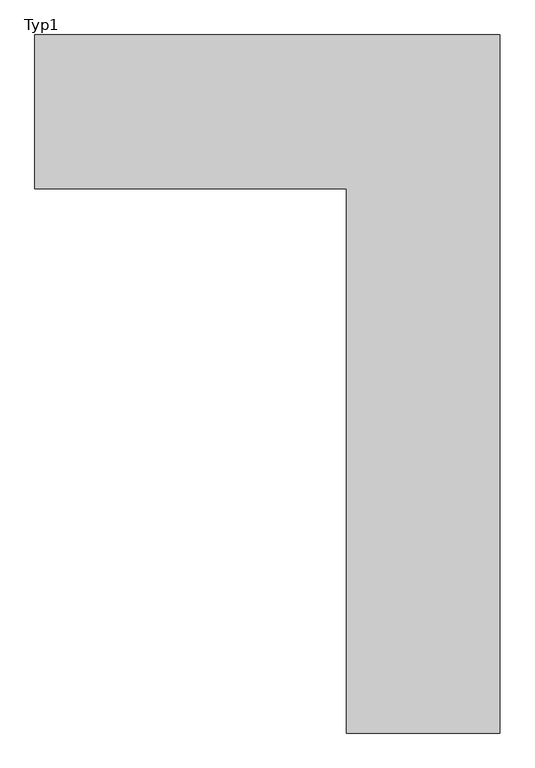
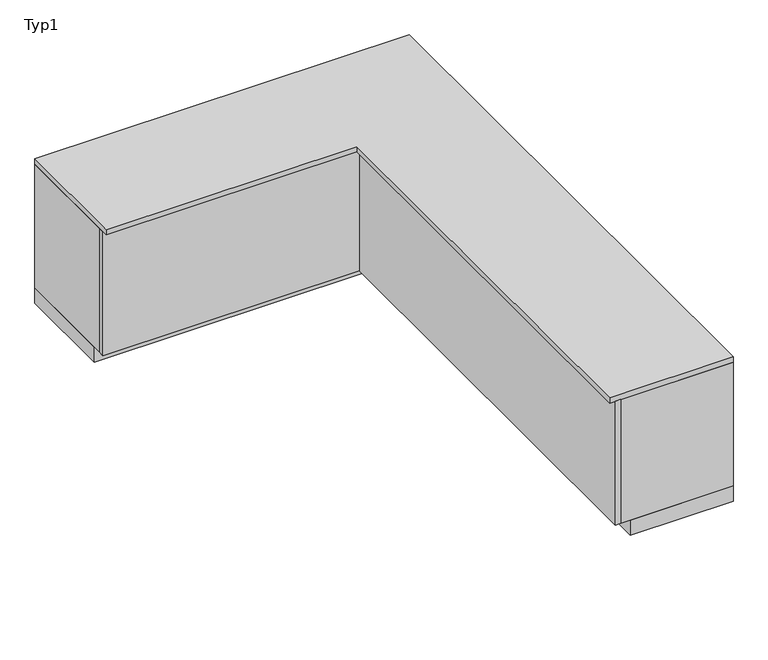
"""IFC4 building model written with IfcOpenShell, lengths in millimetres: furniture geometry, Typ1."""

from ifc_helpers import new_model, si_unit, frame, origin, origin_with_axes, place, context, project, spatial, polyline, outline, extrude, source, transform, mapped, element, save


def typ1_be085a06(model_context):
    return source(origin(), model_context, "Body", "SweptSolid", [
        extrude(outline(polyline([(-1720.0, -330.0), (-1720.0, -300.0), (-320.0, -300.0), (-320.0, -2700.0), (-350.0, -2700.0), (-350.0, -330.0), (-1720.0, -330.0)])), frame((0.0, 0.0, 85.0), z_axis=(0.0, 0.0, 1.0), x_axis=(1.0, 0.0, 0.0)), (0.0, 0.0, 1.0), 700.0),
        extrude(outline(polyline([(-1720.0, -360.0), (-1720.0, 300.0), (280.0, 300.0), (280.0, -2700.0), (-380.0, -2700.0), (-380.0, -360.0), (-1720.0, -360.0)])), frame((0.0, 0.0, 785.0), z_axis=(0.0, 0.0, 1.0), x_axis=(1.0, 0.0, 0.0)), (0.0, 0.0, 1.0), 30.0),
        extrude(outline(polyline([(-1720.0, -300.0), (-1720.0, 300.0), (280.0, 300.0), (280.0, -2700.0), (-320.0, -2700.0), (-320.0, -300.0), (-1720.0, -300.0)])), frame((0.0, 0.0, 85.0), z_axis=(0.0, 0.0, 1.0), x_axis=(1.0, 0.0, 0.0)), (0.0, 0.0, 1.0), 700.0),
        extrude(outline(polyline([(-1720.0, -250.0), (-1720.0, 300.0), (280.0, 300.0), (280.0, -2700.0), (-270.0, -2700.0), (-270.0, -250.0), (-1720.0, -250.0)])), origin_with_axes(), (0.0, 0.0, 1.0), 85.0),
    ])


if __name__ == "__main__":
    model = new_model("IFC4")
    model_context = context("Model", 3, world=origin())
    ifc_project = project(units=[si_unit("LENGTHUNIT", "METRE", prefix="MILLI")], contexts=[model_context])
    site = spatial("IfcSite", under=ifc_project)
    building = spatial("IfcBuilding", under=site)
    placement = place(None, origin())
    typ1_shape = typ1_be085a06(model_context)
    element("IfcFurniture", 1, ObjectType="Typ1", at=placement, inside=building, context=model_context, shape_type="MappedRepresentation", body=[
        mapped(typ1_shape, transform((0.0, 0.0, 0.0), x_axis=(1.0, 0.0, 0.0), y_axis=(0.0, 1.0, 0.0), z_axis=(0.0, 0.0, 1.0))),
    ])
    save(model, "model.ifc")
